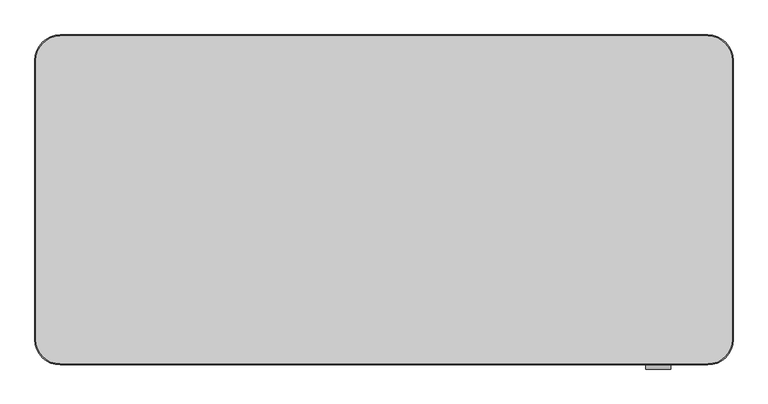
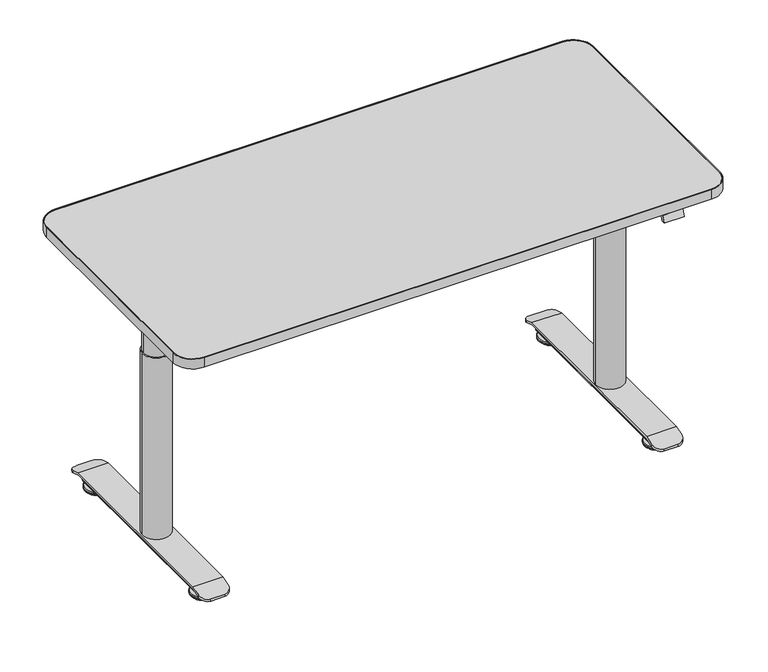
"""IFC4 building model written with IfcOpenShell, lengths in millimetres: furniture geometry."""

from ifc_helpers import new_model, si_unit, point, frame, frame_2d, origin, place, context, project, spatial, polyline, circle_curve, ellipse_curve, trimmed, segment, composite_curve, outline, extrude, source, transform, mapped, element, save
from ifc_brep_helpers import plane_surface, cylinder_surface, revolved_surface, advanced_brep


def furniture_2bdaf95e(model_context):
    return source(origin(), model_context, "Body", "SolidModel", [
        extrude(outline(composite_curve([segment(polyline([(62.5, -50.0), (1337.5, -50.0)]), True, "CONTINUOUS"), segment(trimmed(circle_curve(frame_2d((1337.5, -100.0)), 50.0), [point((1337.5, -50.0))], [point((1387.5, -100.0))], False, "CARTESIAN"), True, "CONTINUOUS"), segment(polyline([(1387.5, -100.0), (1387.5, -650.0)]), True, "CONTINUOUS"), segment(trimmed(circle_curve(frame_2d((1337.5, -650.0)), 50.0), [point((1387.5, -650.0))], [point((1337.5, -700.0))], False, "CARTESIAN"), True, "CONTINUOUS"), segment(polyline([(1337.5, -700.0), (62.5, -700.0)]), True, "CONTINUOUS"), segment(trimmed(circle_curve(frame_2d((62.5, -650.0)), 50.0), [point((62.5, -700.0))], [point((12.5, -650.0))], False, "CARTESIAN"), True, "CONTINUOUS"), segment(polyline([(12.5, -650.0), (12.5, -100.0)]), True, "CONTINUOUS"), segment(trimmed(circle_curve(frame_2d((62.5, -100.0)), 50.0), [point((12.5, -100.0))], [point((62.5, -50.0))], False, "CARTESIAN"), True, "CONTINUOUS")], self_intersect=False), holes=[composite_curve([segment(trimmed(circle_curve(frame_2d((62.5, -100.0)), 48.0), [point((62.5, -52.0))], [point((14.5, -100.0))], True, "CARTESIAN"), True, "CONTINUOUS"), segment(polyline([(14.5, -100.0), (14.5, -650.0)]), True, "CONTINUOUS"), segment(trimmed(circle_curve(frame_2d((62.5, -650.0)), 48.0), [point((14.5, -650.0))], [point((62.5, -698.0))], True, "CARTESIAN"), True, "CONTINUOUS"), segment(polyline([(62.5, -698.0), (1337.5, -698.0)]), True, "CONTINUOUS"), segment(trimmed(circle_curve(frame_2d((1337.5, -650.0)), 48.0), [point((1337.5, -698.0))], [point((1385.5, -650.0))], True, "CARTESIAN"), True, "CONTINUOUS"), segment(polyline([(1385.5, -650.0), (1385.5, -100.0)]), True, "CONTINUOUS"), segment(trimmed(circle_curve(frame_2d((1337.5, -100.0)), 48.0), [point((1385.5, -100.0))], [point((1337.5, -52.0))], True, "CARTESIAN"), True, "CONTINUOUS"), segment(polyline([(1337.5, -52.0), (62.5, -52.0)]), True, "CONTINUOUS")], self_intersect=False)]), frame((0.0, 0.0, 695.0), z_axis=(0.0, 0.0, 1.0), x_axis=(1.0, 0.0, 0.0)), (0.0, 0.0, 1.0), 25.5),
        extrude(outline(composite_curve([segment(polyline([(62.5, -52.0), (1337.5, -52.0)]), True, "CONTINUOUS"), segment(trimmed(circle_curve(frame_2d((1337.5, -100.0)), 48.0), [point((1337.5, -52.0))], [point((1385.5, -100.0))], False, "CARTESIAN"), True, "CONTINUOUS"), segment(polyline([(1385.5, -100.0), (1385.5, -650.0)]), True, "CONTINUOUS"), segment(trimmed(circle_curve(frame_2d((1337.5, -650.0)), 48.0), [point((1385.5, -650.0))], [point((1337.5, -698.0))], False, "CARTESIAN"), True, "CONTINUOUS"), segment(polyline([(1337.5, -698.0), (62.5, -698.0)]), True, "CONTINUOUS"), segment(trimmed(circle_curve(frame_2d((62.5, -650.0)), 48.0), [point((62.5, -698.0))], [point((14.5, -650.0))], False, "CARTESIAN"), True, "CONTINUOUS"), segment(polyline([(14.5, -650.0), (14.5, -100.0)]), True, "CONTINUOUS"), segment(trimmed(circle_curve(frame_2d((62.5, -100.0)), 48.0), [point((14.5, -100.0))], [point((62.5, -52.0))], False, "CARTESIAN"), True, "CONTINUOUS")], self_intersect=False)), frame((0.0, 0.0, 695.0), z_axis=(0.0, 0.0, 1.0), x_axis=(1.0, 0.0, 0.0)), (0.0, 0.0, 1.0), 25.0),
        extrude(outline(composite_curve([segment(trimmed(circle_curve(frame_2d((130.0, -375.0)), 28.0), [point((102.0, -375.0))], [point((158.0, -375.0))], False, "CARTESIAN"), True, "CONTINUOUS"), segment(trimmed(circle_curve(frame_2d((130.0, -375.0)), 28.0), [point((158.0, -375.0))], [point((102.0, -375.0))], False, "CARTESIAN"), True, "CONTINUOUS")], self_intersect=False)), frame((0.0, 0.0, 580.0), z_axis=(0.0, 0.0, 1.0), x_axis=(1.0, 0.0, 0.0)), (0.0, 0.0, 1.0), 57.0),
        extrude(outline(composite_curve([segment(trimmed(circle_curve(frame_2d((1270.0, -375.0)), 28.0), [point((1242.0, -375.0))], [point((1298.0, -375.0))], False, "CARTESIAN"), True, "CONTINUOUS"), segment(trimmed(circle_curve(frame_2d((1270.0, -375.0)), 28.0), [point((1298.0, -375.0))], [point((1242.0, -375.0))], False, "CARTESIAN"), True, "CONTINUOUS")], self_intersect=False)), frame((0.0, 0.0, 580.0), z_axis=(0.0, 0.0, 1.0), x_axis=(1.0, 0.0, 0.0)), (0.0, 0.0, 1.0), 57.0),
        extrude(outline(composite_curve([segment(trimmed(circle_curve(frame_2d((130.0, -375.0)), 32.0), [point((98.0, -375.0))], [point((162.0, -375.0))], False, "CARTESIAN"), True, "CONTINUOUS"), segment(trimmed(circle_curve(frame_2d((130.0, -375.0)), 32.0), [point((162.0, -375.0))], [point((98.0, -375.0))], False, "CARTESIAN"), True, "CONTINUOUS")], self_intersect=False)), frame((0.0, 0.0, 523.0), z_axis=(0.0, 0.0, 1.0), x_axis=(1.0, 0.0, 0.0)), (0.0, 0.0, 1.0), 57.0),
        extrude(outline(composite_curve([segment(trimmed(circle_curve(frame_2d((1270.0, -375.0)), 32.0), [point((1238.0, -375.0))], [point((1302.0, -375.0))], False, "CARTESIAN"), True, "CONTINUOUS"), segment(trimmed(circle_curve(frame_2d((1270.0, -375.0)), 32.0), [point((1302.0, -375.0))], [point((1238.0, -375.0))], False, "CARTESIAN"), True, "CONTINUOUS")], self_intersect=False)), frame((0.0, 0.0, 523.0), z_axis=(0.0, 0.0, 1.0), x_axis=(1.0, 0.0, 0.0)), (0.0, 0.0, 1.0), 57.0),
        extrude(outline(polyline([(-700.0, 695.0), (-682.0, 695.0), (-682.0, 689.0), (-694.0557281, 689.0), (-699.0557281, 679.0), (-708.0, 679.0), (-700.0, 695.0)])), frame((1215.0, 0.0, 0.0), z_axis=(1.0, 0.0, 0.0), x_axis=(0.0, 1.0, 0.0)), (0.0, 0.0, 1.0), 50.0),
        advanced_brep(
        [(167.5, -100.3774673, 39.9487289), (92.5, -100.3774673, 39.9487289), (92.5, -599.6225327, 39.9487289), (167.5, -599.6225327, 39.9487289), (92.5, -622.0, 32.7380106), (112.5, -642.0, 26.2933865), (147.5, -642.0, 26.2933865), (167.5, -622.0, 32.7380106), (92.5, -598.6796418, 33.9487272), (167.5, -598.6796418, 33.9487272), (167.5, -622.0, 26.4341856), (147.5, -642.0, 19.9895661), (112.5, -642.0, 19.9895661), (92.5, -622.0, 26.4341856), (92.5, -101.3203582, 33.9487272), (167.5, -101.3203582, 33.9487272), (92.5, -78.0, 26.4341856), (112.5, -58.0, 19.9895661), (147.5, -58.0, 19.9895661), (167.5, -78.0, 26.4341856), (167.5, -78.0, 32.7380106), (147.5, -58.0, 26.2933865), (112.5, -58.0, 26.2933865), (92.5, -78.0, 32.7380106)],
        [
            (0, 1),
            (1, 2),
            (2, 3),
            (3, 0),
            (2, 4),
            (4, 5, ellipse_curve(frame((112.5, -622.0, 32.7380106), z_axis=(0.0, -0.3067015134029664, 0.9518057478689284), x_axis=(0.0, -0.9518057478689285, -0.3067015134029665)), 21.0126909, 20.0)),
            (5, 6),
            (6, 7, ellipse_curve(frame((147.5, -622.0, 32.7380106), z_axis=(0.0, -0.3067015134029664, 0.9518057478689284), x_axis=(0.0, -0.9518057478689285, -0.3067015134029665)), 21.0126909, 20.0)),
            (7, 3),
            (8, 9),
            (9, 10),
            (10, 11, ellipse_curve(frame((147.5, -622.0, 26.4341856), z_axis=(0.0, 0.3067013116867472, -0.9518058128681652), x_axis=(0.0, -0.9518058128681652, -0.3067013116867469)), 21.0126895, 20.0)),
            (11, 12),
            (12, 13, ellipse_curve(frame((112.5, -622.0, 26.4341856), z_axis=(0.0, 0.3067013116867472, -0.9518058128681652), x_axis=(0.0, -0.9518058128681652, -0.3067013116867469)), 21.0126895, 20.0)),
            (13, 8),
            (8, 14),
            (14, 15),
            (15, 9),
            (14, 16),
            (16, 17, ellipse_curve(frame((112.5, -78.0, 26.4341856), z_axis=(0.0, -0.3067013116867472, -0.9518058128681653), x_axis=(0.0, 0.9518058128681656, -0.30670131168674664)), 21.0126895, 20.0)),
            (17, 18),
            (18, 19, ellipse_curve(frame((147.5, -78.0, 26.4341856), z_axis=(0.0, -0.3067013116867472, -0.9518058128681653), x_axis=(0.0, 0.9518058128681656, -0.30670131168674664)), 21.0126895, 20.0)),
            (19, 15),
            (0, 20),
            (20, 21, ellipse_curve(frame((147.5, -78.0, 32.7380106), z_axis=(0.0, 0.3067015134029484, 0.9518057478689342), x_axis=(0.0, 0.9518057478689343, -0.30670151340294793)), 21.0126909, 20.0)),
            (21, 22),
            (22, 23, ellipse_curve(frame((112.5, -78.0, 32.7380106), z_axis=(0.0, 0.3067015134029484, 0.9518057478689342), x_axis=(0.0, 0.9518057478689343, -0.30670151340294793)), 21.0126909, 20.0)),
            (23, 1),
            (19, 20),
            (7, 10),
            (11, 6),
            (5, 12),
            (13, 4),
            (23, 16),
            (17, 22),
            (21, 18),
        ],
        [
            plane_surface(frame((1400.0, -100.3774673, 39.9487289), z_axis=(0.0, 0.0, 1.0), x_axis=(-1.0, 0.0, 0.0))),
            plane_surface(frame((1400.0, -599.6225327, 39.9487289), z_axis=(0.0, -0.3067015134029664, 0.9518057478689284), x_axis=(-1.0, 0.0, 0.0))),
            plane_surface(frame((1400.0, -700.0, 1.3001698), z_axis=(0.0, 0.3067013116867472, -0.9518058128681652), x_axis=(-1.0, 0.0, 0.0))),
            plane_surface(frame((1400.0, -598.6796418, 33.9487272), z_axis=(0.0, 0.0, -1.0), x_axis=(-1.0, 0.0, 0.0))),
            plane_surface(frame((1400.0, -101.3203582, 33.9487272), z_axis=(0.0, -0.3067013116867472, -0.9518058128681653), x_axis=(-1.0, 0.0, 0.0))),
            plane_surface(frame((1400.0, 0.0, 7.6039766), z_axis=(0.0, 0.3067015134029484, 0.9518057478689342), x_axis=(-1.0, 0.0, 0.0))),
            plane_surface(frame((167.5, -78.0, 90.0), z_axis=(1.0, 0.0, 0.0), x_axis=(0.0, 0.0, -1.0))),
            plane_surface(frame((147.5, -642.0, 90.0), z_axis=(0.0, -1.0, 0.0), x_axis=(0.0, 0.0, -1.0))),
            plane_surface(frame((92.5, -622.0, 90.0), z_axis=(-1.0, 0.0, 0.0), x_axis=(0.0, 0.0, -1.0))),
            plane_surface(frame((112.5, -58.0, 90.0), z_axis=(0.0, 1.0, 0.0), x_axis=(0.0, 0.0, -1.0))),
            cylinder_surface(frame((147.5, -78.0, 0.0), z_axis=(0.0, 0.0, -1.0), x_axis=(1.0, 0.0, 0.0)), 20.0),
            cylinder_surface(frame((147.5, -622.0, 0.0), z_axis=(0.0, 0.0, -1.0), x_axis=(1.0, 0.0, 0.0)), 20.0),
            cylinder_surface(frame((112.5, -622.0, 0.0), z_axis=(0.0, 0.0, -1.0), x_axis=(1.0, 0.0, 0.0)), 20.0),
            cylinder_surface(frame((112.5, -78.0, 0.0), z_axis=(0.0, 0.0, -1.0), x_axis=(1.0, 0.0, 0.0)), 20.0),
        ],
        [
            (0, [[1, 2, 3, 4]]),
            (1, [[-3, 5, 6, 7, 8, 9]]),
            (2, [[10, 11, 12, 13, 14, 15]]),
            (3, [[-10, 16, 17, 18]]),
            (4, [[-17, 19, 20, 21, 22, 23]]),
            (5, [[-1, 24, 25, 26, 27, 28]]),
            (6, [[29, -24, -4, -9, 30, -11, -18, -23]]),
            (7, [[31, -7, 32, -13]]),
            (8, [[33, -5, -2, -28, 34, -19, -16, -15]]),
            (9, [[35, -26, 36, -21]]),
            (10, [[-29, -22, -36, -25]]),
            (11, [[-31, -12, -30, -8]]),
            (12, [[-33, -14, -32, -6]]),
            (13, [[-35, -20, -34, -27]]),
        ],
    ),
        advanced_brep(
        [(1307.5, -100.3774673, 39.9487289), (1232.5, -100.3774673, 39.9487289), (1232.5, -599.6225327, 39.9487289), (1307.5, -599.6225327, 39.9487289), (1232.5, -622.0, 32.7380106), (1252.5, -642.0, 26.2933865), (1287.5, -642.0, 26.2933865), (1307.5, -622.0, 32.7380106), (1232.5, -598.6796418, 33.9487272), (1307.5, -598.6796418, 33.9487272), (1307.5, -622.0, 26.4341856), (1287.5, -642.0, 19.9895661), (1252.5, -642.0, 19.9895661), (1232.5, -622.0, 26.4341856), (1232.5, -101.3203582, 33.9487272), (1307.5, -101.3203582, 33.9487272), (1232.5, -78.0, 26.4341856), (1252.5, -58.0, 19.9895661), (1287.5, -58.0, 19.9895661), (1307.5, -78.0, 26.4341856), (1307.5, -78.0, 32.7380106), (1287.5, -58.0, 26.2933865), (1252.5, -58.0, 26.2933865), (1232.5, -78.0, 32.7380106)],
        [
            (0, 1),
            (1, 2),
            (2, 3),
            (3, 0),
            (2, 4),
            (4, 5, ellipse_curve(frame((1252.5, -622.0, 32.7380106), z_axis=(0.0, -0.3067015134029664, 0.9518057478689284), x_axis=(0.0, -0.9518057478689285, -0.3067015134029665)), 21.0126909, 20.0)),
            (5, 6),
            (6, 7, ellipse_curve(frame((1287.5, -622.0, 32.7380106), z_axis=(0.0, -0.3067015134029664, 0.9518057478689284), x_axis=(0.0, -0.9518057478689285, -0.3067015134029665)), 21.0126909, 20.0)),
            (7, 3),
            (8, 9),
            (9, 10),
            (10, 11, ellipse_curve(frame((1287.5, -622.0, 26.4341856), z_axis=(0.0, 0.3067013116867472, -0.9518058128681652), x_axis=(0.0, -0.9518058128681652, -0.3067013116867469)), 21.0126895, 20.0)),
            (11, 12),
            (12, 13, ellipse_curve(frame((1252.5, -622.0, 26.4341856), z_axis=(0.0, 0.3067013116867472, -0.9518058128681652), x_axis=(0.0, -0.9518058128681652, -0.3067013116867469)), 21.0126895, 20.0)),
            (13, 8),
            (8, 14),
            (14, 15),
            (15, 9),
            (14, 16),
            (16, 17, ellipse_curve(frame((1252.5, -78.0, 26.4341856), z_axis=(0.0, -0.3067013116867472, -0.9518058128681653), x_axis=(0.0, 0.9518058128681656, -0.30670131168674664)), 21.0126895, 20.0)),
            (17, 18),
            (18, 19, ellipse_curve(frame((1287.5, -78.0, 26.4341856), z_axis=(0.0, -0.3067013116867472, -0.9518058128681653), x_axis=(0.0, 0.9518058128681656, -0.30670131168674664)), 21.0126895, 20.0)),
            (19, 15),
            (0, 20),
            (20, 21, ellipse_curve(frame((1287.5, -78.0, 32.7380106), z_axis=(0.0, 0.3067015134029484, 0.9518057478689342), x_axis=(0.0, 0.9518057478689343, -0.30670151340294793)), 21.0126909, 20.0)),
            (21, 22),
            (22, 23, ellipse_curve(frame((1252.5, -78.0, 32.7380106), z_axis=(0.0, 0.3067015134029484, 0.9518057478689342), x_axis=(0.0, 0.9518057478689343, -0.30670151340294793)), 21.0126909, 20.0)),
            (23, 1),
            (17, 22),
            (21, 18),
            (20, 19),
            (7, 10),
            (6, 11),
            (5, 12),
            (4, 13),
            (23, 16),
        ],
        [
            plane_surface(frame((1400.0, -100.3774673, 39.9487289), z_axis=(0.0, 0.0, 1.0), x_axis=(-1.0, 0.0, 0.0))),
            plane_surface(frame((1400.0, -599.6225327, 39.9487289), z_axis=(0.0, -0.3067015134029664, 0.9518057478689284), x_axis=(-1.0, 0.0, 0.0))),
            plane_surface(frame((1400.0, -700.0, 1.3001698), z_axis=(0.0, 0.3067013116867472, -0.9518058128681652), x_axis=(-1.0, 0.0, 0.0))),
            plane_surface(frame((1400.0, -598.6796418, 33.9487272), z_axis=(0.0, 0.0, -1.0), x_axis=(-1.0, 0.0, 0.0))),
            plane_surface(frame((1400.0, -101.3203582, 33.9487272), z_axis=(0.0, -0.3067013116867472, -0.9518058128681653), x_axis=(-1.0, 0.0, 0.0))),
            plane_surface(frame((1400.0, 0.0, 7.6039766), z_axis=(0.0, 0.3067015134029484, 0.9518057478689342), x_axis=(-1.0, 0.0, 0.0))),
            plane_surface(frame((1252.5, -58.0, 90.0), z_axis=(2.496878894118402e-12, 1.0, 0.0), x_axis=(0.0, 0.0, -1.0))),
            cylinder_surface(frame((1287.5, -78.0, 0.0), z_axis=(0.0, 0.0, -1.0), x_axis=(1.0, 0.0, 0.0)), 20.0),
            plane_surface(frame((1307.5, -78.0, 90.0), z_axis=(1.0, 0.0, 0.0), x_axis=(0.0, 0.0, -1.0))),
            cylinder_surface(frame((1287.5, -622.0, 0.0), z_axis=(0.0, 0.0, -1.0), x_axis=(1.0, 0.0, 0.0)), 20.0),
            plane_surface(frame((1287.5, -642.0, 90.0), z_axis=(2.1541321107826974e-12, -1.0, 0.0), x_axis=(0.0, 0.0, -1.0))),
            cylinder_surface(frame((1252.5, -622.0, 0.0), z_axis=(0.0, 0.0, -1.0), x_axis=(1.0, 0.0, 0.0)), 20.0),
            plane_surface(frame((1232.5, -622.0, 90.0), z_axis=(-1.0, 0.0, 0.0), x_axis=(0.0, 0.0, -1.0))),
            cylinder_surface(frame((1252.5, -78.0, 0.0), z_axis=(0.0, 0.0, -1.0), x_axis=(1.0, 0.0, 0.0)), 20.0),
        ],
        [
            (0, [[1, 2, 3, 4]]),
            (1, [[-3, 5, 6, 7, 8, 9]]),
            (2, [[10, 11, 12, 13, 14, 15]]),
            (3, [[-10, 16, 17, 18]]),
            (4, [[-17, 19, 20, 21, 22, 23]]),
            (5, [[-1, 24, 25, 26, 27, 28]]),
            (6, [[29, -26, 30, -21]]),
            (7, [[-30, -25, 31, -22]]),
            (8, [[-31, -24, -4, -9, 32, -11, -18, -23]]),
            (9, [[-32, -8, 33, -12]]),
            (10, [[-33, -7, 34, -13]]),
            (11, [[-34, -6, 35, -14]]),
            (12, [[-35, -5, -2, -28, 36, -19, -16, -15]]),
            (13, [[-29, -20, -36, -27]]),
        ],
    ),
        extrude(outline(composite_curve([segment(trimmed(circle_curve(frame_2d((130.0, -375.0)), 35.0), [point((95.0, -375.0))], [point((165.0, -375.0))], False, "CARTESIAN"), True, "CONTINUOUS"), segment(trimmed(circle_curve(frame_2d((130.0, -375.0)), 35.0), [point((165.0, -375.0))], [point((95.0, -375.0))], False, "CARTESIAN"), True, "CONTINUOUS")], self_intersect=False)), frame((0.0, 0.0, 39.9487289), z_axis=(0.0, 0.0, 1.0), x_axis=(1.0, 0.0, 0.0)), (0.0, 0.0, 1.0), 483.0512711),
        extrude(outline(composite_curve([segment(trimmed(circle_curve(frame_2d((1270.0, -375.0)), 35.0), [point((1235.0, -375.0))], [point((1305.0, -375.0))], False, "CARTESIAN"), True, "CONTINUOUS"), segment(trimmed(circle_curve(frame_2d((1270.0, -375.0)), 35.0), [point((1305.0, -375.0))], [point((1235.0, -375.0))], False, "CARTESIAN"), True, "CONTINUOUS")], self_intersect=False)), frame((0.0, 0.0, 39.9487289), z_axis=(0.0, 0.0, 1.0), x_axis=(1.0, 0.0, 0.0)), (0.0, 0.0, 1.0), 483.0512711),
        advanced_brep(
        [(106.0, -594.9970669, 15.948729), (154.0, -594.9970669, 15.948729), (160.0, -594.9970669, 21.948729), (160.0, -594.9970669, 33.9487272), (100.0, -594.9970669, 33.9487272), (100.0, -594.9970669, 21.948729), (106.0, -105.0, 15.948729), (100.0, -105.0, 21.948729), (100.0, -105.0, 33.9487272), (160.0, -105.0, 33.9487272), (160.0, -105.0, 21.948729), (154.0, -105.0, 15.948729), (160.0, -345.0019514, 21.948729), (159.6568536, -345.0019514, 19.9487272), (159.6568536, -404.9980486, 19.9487272), (160.0, -404.9980486, 21.948729), (160.0, -404.9980486, 33.9487272), (160.0, -345.0019514, 33.9487272), (100.0, -404.9980486, 33.9487272), (100.0, -345.0019514, 33.9487272), (100.0, -404.9980486, 21.948729), (100.0, -345.0019514, 21.948729), (100.3431464, -404.9980486, 19.9487272), (100.3431464, -345.0019514, 19.9487272)],
        [
            (0, 1),
            (1, 2, circle_curve(frame((154.0, -594.9970669, 21.948729), z_axis=(0.0, -1.0, 0.0), x_axis=(1.0, 0.0, 0.0)), 6.0)),
            (2, 3),
            (3, 4),
            (4, 5),
            (5, 0, circle_curve(frame((106.0, -594.9970669, 21.948729), z_axis=(0.0, -1.0, 0.0), x_axis=(1.0, 0.0, 0.0)), 6.0)),
            (6, 7, circle_curve(frame((106.0, -105.0, 21.948729), z_axis=(0.0, 1.0, 0.0), x_axis=(1.0, 0.0, 0.0)), 6.0)),
            (7, 8),
            (8, 9),
            (9, 10),
            (10, 11, circle_curve(frame((154.0, -105.0, 21.948729), z_axis=(0.0, 1.0, 0.0), x_axis=(1.0, 0.0, 0.0)), 6.0)),
            (11, 6),
            (0, 6),
            (11, 1),
            (10, 12),
            (12, 13, circle_curve(frame((154.0, -345.0019514, 21.948729), z_axis=(0.0, 1.0, 0.0), x_axis=(1.0, 0.0, 0.0)), 6.0)),
            (13, 14),
            (14, 15, circle_curve(frame((154.0, -404.9980486, 21.948729), z_axis=(0.0, -1.0, 0.0), x_axis=(1.0, 0.0, 0.0)), 6.0)),
            (15, 2),
            (15, 16),
            (16, 3),
            (9, 17),
            (17, 12),
            (16, 18),
            (18, 4),
            (8, 19),
            (19, 17),
            (18, 20),
            (20, 5),
            (7, 21),
            (21, 19),
            (20, 22, circle_curve(frame((106.0, -404.9980486, 21.948729), z_axis=(0.0, -1.0, 0.0), x_axis=(1.0, 0.0, 0.0)), 6.0)),
            (22, 23),
            (23, 21, circle_curve(frame((106.0, -345.0019514, 21.948729), z_axis=(0.0, 1.0, 0.0), x_axis=(1.0, 0.0, 0.0)), 6.0)),
            (14, 22),
            (13, 23),
        ],
        [
            plane_surface(frame((154.0244057, -594.9970669, 15.948729), z_axis=(0.0, -1.0, 0.0), x_axis=(1.0, 0.0, 0.0))),
            plane_surface(frame((154.0244057, -105.0, 15.948729), z_axis=(0.0, 1.0, 0.0), x_axis=(-1.0, 0.0, 0.0))),
            plane_surface(frame((106.0, -594.9970669, 15.948729), z_axis=(0.0, 0.0, -1.0), x_axis=(0.0, 1.0, 0.0))),
            cylinder_surface(frame((154.0, -105.0, 21.948729), z_axis=(0.0, -1.0, 0.0), x_axis=(1.0, 0.0, 0.0)), 6.0),
            plane_surface(frame((160.0, -594.9970669, 21.948729), z_axis=(1.0, 0.0, 0.0), x_axis=(0.0, 1.0, 0.0))),
            plane_surface(frame((160.0, -594.9970669, 33.9487272), z_axis=(0.0, 0.0, 1.0), x_axis=(0.0, 1.0, 0.0))),
            plane_surface(frame((100.0, -594.9970669, 33.9487272), z_axis=(-1.0, 0.0, 0.0), x_axis=(0.0, 1.0, 0.0))),
            cylinder_surface(frame((106.0, -105.0, 21.948729), z_axis=(0.0, -1.0, 0.0), x_axis=(1.0, 0.0, 0.0)), 6.0),
            plane_surface(frame((1400.0, -404.9980486, 33.9487272), z_axis=(0.0, 1.0, 0.0), x_axis=(-1.0, 0.0, 0.0))),
            plane_surface(frame((1400.0, -404.9980486, 19.9487272), z_axis=(0.0, 0.0, 1.0), x_axis=(-1.0, 0.0, 0.0))),
            plane_surface(frame((1400.0, -345.0019514, 19.9487272), z_axis=(0.0, -1.0, 0.0), x_axis=(-1.0, 0.0, 0.0))),
        ],
        [
            (0, [[1, 2, 3, 4, 5, 6]]),
            (1, [[7, 8, 9, 10, 11, 12]]),
            (2, [[-1, 13, -12, 14]]),
            (3, [[-2, -14, -11, 15, 16, 17, 18, 19]]),
            (4, [[-3, -19, 20, 21]]),
            (4, [[-10, 22, 23, -15]]),
            (5, [[-4, -21, 24, 25]]),
            (5, [[-9, 26, 27, -22]]),
            (6, [[-5, -25, 28, 29]]),
            (6, [[-8, 30, 31, -26]]),
            (7, [[-6, -29, 32, 33, 34, -30, -7, -13]]),
            (8, [[35, -32, -28, -24, -20, -18]]),
            (9, [[-35, -17, 36, -33]]),
            (10, [[-36, -16, -23, -27, -31, -34]]),
        ],
    ),
        advanced_brep(
        [(1294.0, -594.9970669, 15.948729), (1300.0, -594.9970669, 21.948729), (1300.0, -594.9970669, 33.9487272), (1240.0, -594.9970669, 33.9487272), (1240.0, -594.9970669, 21.948729), (1246.0, -594.9970669, 15.948729), (1294.0, -105.0, 15.948729), (1246.0, -105.0, 15.948729), (1240.0, -105.0, 21.948729), (1240.0, -105.0, 33.9487272), (1300.0, -105.0, 33.9487272), (1300.0, -105.0, 21.948729), (1300.0, -345.0019514, 21.948729), (1299.6568536, -345.0019514, 19.9487272), (1299.6568536, -404.9980486, 19.9487272), (1300.0, -404.9980486, 21.948729), (1300.0, -404.9980486, 33.9487272), (1300.0, -345.0019514, 33.9487272), (1240.0, -404.9980486, 33.9487272), (1240.0, -345.0019514, 33.9487272), (1240.0, -404.9980486, 21.948729), (1240.0, -345.0019514, 21.948729), (1240.3431464, -404.9980486, 19.9487272), (1240.3431464, -345.0019514, 19.9487272)],
        [
            (0, 1, circle_curve(frame((1294.0, -594.9970669, 21.948729), z_axis=(0.0, -1.0, 0.0), x_axis=(1.0, 0.0, 0.0)), 6.0)),
            (1, 2),
            (2, 3),
            (3, 4),
            (4, 5, circle_curve(frame((1246.0, -594.9970669, 21.948729), z_axis=(0.0, -1.0, 0.0), x_axis=(1.0, 0.0, 0.0)), 6.0)),
            (5, 0),
            (6, 7),
            (7, 8, circle_curve(frame((1246.0, -105.0, 21.948729), z_axis=(0.0, 1.0, 0.0), x_axis=(1.0, 0.0, 0.0)), 6.0)),
            (8, 9),
            (9, 10),
            (10, 11),
            (11, 6, circle_curve(frame((1294.0, -105.0, 21.948729), z_axis=(0.0, 1.0, 0.0), x_axis=(1.0, 0.0, 0.0)), 6.0)),
            (0, 6),
            (11, 12),
            (12, 13, circle_curve(frame((1294.0, -345.0019514, 21.948729), z_axis=(0.0, 1.0, 0.0), x_axis=(1.0, 0.0, 0.0)), 6.0)),
            (13, 14),
            (14, 15, circle_curve(frame((1294.0, -404.9980486, 21.948729), z_axis=(0.0, -1.0, 0.0), x_axis=(1.0, 0.0, 0.0)), 6.0)),
            (15, 1),
            (15, 16),
            (16, 2),
            (10, 17),
            (17, 12),
            (16, 18),
            (18, 3),
            (9, 19),
            (19, 17),
            (18, 20),
            (20, 4),
            (8, 21),
            (21, 19),
            (20, 22, circle_curve(frame((1246.0, -404.9980486, 21.948729), z_axis=(0.0, -1.0, 0.0), x_axis=(1.0, 0.0, 0.0)), 6.0)),
            (22, 23),
            (23, 21, circle_curve(frame((1246.0, -345.0019514, 21.948729), z_axis=(0.0, 1.0, 0.0), x_axis=(1.0, 0.0, 0.0)), 6.0)),
            (7, 5),
            (14, 22),
            (13, 23),
        ],
        [
            plane_surface(frame((154.0244057, -594.9970669, 15.948729), z_axis=(0.0, -1.0, 0.0), x_axis=(1.0, 0.0, 0.0))),
            plane_surface(frame((154.0244057, -105.0, 15.948729), z_axis=(0.0, 1.0, 0.0), x_axis=(-1.0, 0.0, 0.0))),
            cylinder_surface(frame((1294.0, 0.0, 21.948729), z_axis=(0.0, -1.0, 0.0), x_axis=(1.0, 0.0, 0.0)), 6.0),
            plane_surface(frame((1300.0, -594.9970669, 21.948729), z_axis=(1.0, 0.0, 0.0), x_axis=(0.0, 1.0, 0.0))),
            plane_surface(frame((1300.0, -594.9970669, 33.9487272), z_axis=(0.0, 0.0, 1.0), x_axis=(0.0, 1.0, 0.0))),
            plane_surface(frame((1240.0, -594.9970669, 33.9487272), z_axis=(-1.0, 0.0, 0.0), x_axis=(0.0, 1.0, 0.0))),
            cylinder_surface(frame((1246.0, 0.0, 21.948729), z_axis=(0.0, -1.0, 0.0), x_axis=(1.0, 0.0, 0.0)), 6.0),
            plane_surface(frame((1246.0, -594.9970669, 15.948729), z_axis=(0.0, 0.0, -1.0), x_axis=(0.0, 1.0, 0.0))),
            plane_surface(frame((1400.0, -404.9980486, 33.9487272), z_axis=(0.0, 1.0, 0.0), x_axis=(-1.0, 0.0, 0.0))),
            plane_surface(frame((1400.0, -404.9980486, 19.9487272), z_axis=(0.0, 0.0, 1.0), x_axis=(-1.0, 0.0, 0.0))),
            plane_surface(frame((1400.0, -345.0019514, 19.9487272), z_axis=(0.0, -1.0, 0.0), x_axis=(-1.0, 0.0, 0.0))),
        ],
        [
            (0, [[1, 2, 3, 4, 5, 6]]),
            (1, [[7, 8, 9, 10, 11, 12]]),
            (2, [[-1, 13, -12, 14, 15, 16, 17, 18]]),
            (3, [[-2, -18, 19, 20]]),
            (3, [[-11, 21, 22, -14]]),
            (4, [[-3, -20, 23, 24]]),
            (4, [[-10, 25, 26, -21]]),
            (5, [[-4, -24, 27, 28]]),
            (5, [[-9, 29, 30, -25]]),
            (6, [[-5, -28, 31, 32, 33, -29, -8, 34]]),
            (7, [[-6, -34, -7, -13]]),
            (8, [[35, -31, -27, -23, -19, -17]]),
            (9, [[-35, -16, 36, -32]]),
            (10, [[-36, -15, -22, -26, -30, -33]]),
        ],
    ),
        advanced_brep(
        [(1270.0, -127.5107401, 16.0), (1270.0, -112.4892599, 16.0), (1270.0, -120.0, 16.0), (1270.0, -127.5107401, 11.0079394), (1270.0, -112.4892599, 11.0079394), (1270.0, -129.3364286, 9.01555), (1270.0, -110.6635714, 9.01555), (1270.0, -150.1850516, 7.1915319), (1270.0, -89.8149484, 7.1915319), (1270.0, -152.0107401, 5.1991425), (1270.0, -87.9892599, 5.1991425), (1270.0, -152.0107401, 2.0), (1270.0, -87.9892599, 2.0), (1270.0, -150.0107401, 0.0), (1270.0, -89.9892599, 0.0), (1270.0, -120.0, 0.0)],
        [
            (0, 1, circle_curve(frame((1270.0, -120.0, 16.0), z_axis=(0.0, 0.0, 1.0), x_axis=(0.0, 1.0, 0.0)), 7.5107401)),
            (1, 2),
            (2, 0),
            (1, 0, circle_curve(frame((1270.0, -120.0, 16.0), z_axis=(0.0, 0.0, 1.0), x_axis=(0.0, 1.0, 0.0)), 7.5107401)),
            (3, 4, circle_curve(frame((1270.0, -120.0, 11.0079394), z_axis=(0.0, 0.0, 1.0), x_axis=(0.0, 1.0, 0.0)), 7.5107401)),
            (4, 1),
            (0, 3),
            (4, 3, circle_curve(frame((1270.0, -120.0, 11.0079394), z_axis=(0.0, 0.0, 1.0), x_axis=(0.0, 1.0, 0.0)), 7.5107401)),
            (5, 6, circle_curve(frame((1270.0, -120.0, 9.01555), z_axis=(0.0, 0.0, 1.0), x_axis=(0.0, 1.0, 0.0)), 9.3364286)),
            (6, 4, circle_curve(frame((1270.0, -110.4892599, 11.0079394), z_axis=(-1.0, 0.0, 0.0), x_axis=(0.0, 0.0, 1.0)), 2.0)),
            (3, 5, circle_curve(frame((1270.0, -129.5107401, 11.0079394), z_axis=(-1.0, 0.0, 0.0), x_axis=(0.0, 0.0, 1.0)), 2.0)),
            (6, 5, circle_curve(frame((1270.0, -120.0, 9.01555), z_axis=(0.0, 0.0, 1.0), x_axis=(0.0, 1.0, 0.0)), 9.3364286)),
            (7, 8, circle_curve(frame((1270.0, -120.0, 7.1915319), z_axis=(0.0, 0.0, 1.0), x_axis=(0.0, 1.0, 0.0)), 30.1850516)),
            (8, 6),
            (5, 7),
            (8, 7, circle_curve(frame((1270.0, -120.0, 7.1915319), z_axis=(0.0, 0.0, 1.0), x_axis=(0.0, 1.0, 0.0)), 30.1850516)),
            (9, 10, circle_curve(frame((1270.0, -120.0, 5.1991425), z_axis=(0.0, 0.0, 1.0), x_axis=(0.0, 1.0, 0.0)), 32.0107401)),
            (10, 8, circle_curve(frame((1270.0, -89.9892599, 5.1991425), z_axis=(1.0, 0.0, 0.0), x_axis=(0.0, 0.0, 1.0)), 2.0)),
            (7, 9, circle_curve(frame((1270.0, -150.0107401, 5.1991425), z_axis=(1.0, 0.0, 0.0), x_axis=(0.0, 0.0, 1.0)), 2.0)),
            (10, 9, circle_curve(frame((1270.0, -120.0, 5.1991425), z_axis=(0.0, 0.0, 1.0), x_axis=(0.0, 1.0, 0.0)), 32.0107401)),
            (11, 12, circle_curve(frame((1270.0, -120.0, 2.0), z_axis=(0.0, 0.0, 1.0), x_axis=(0.0, 1.0, 0.0)), 32.0107401)),
            (12, 10),
            (9, 11),
            (12, 11, circle_curve(frame((1270.0, -120.0, 2.0), z_axis=(0.0, 0.0, 1.0), x_axis=(0.0, 1.0, 0.0)), 32.0107401)),
            (13, 14, circle_curve(frame((1270.0, -120.0, 0.0), z_axis=(0.0, 0.0, 1.0), x_axis=(0.0, 1.0, 0.0)), 30.0107401)),
            (14, 12, circle_curve(frame((1270.0, -89.9892599, 2.0), z_axis=(1.0, 0.0, 0.0), x_axis=(0.0, 0.0, 1.0)), 2.0)),
            (11, 13, circle_curve(frame((1270.0, -150.0107401, 2.0), z_axis=(1.0, 0.0, 0.0), x_axis=(0.0, 0.0, 1.0)), 2.0)),
            (14, 13, circle_curve(frame((1270.0, -120.0, 0.0), z_axis=(0.0, 0.0, 1.0), x_axis=(0.0, 1.0, 0.0)), 30.0107401)),
            (15, 14),
            (13, 15),
        ],
        [
            plane_surface(frame((1270.0, -120.0, 16.0), z_axis=(0.0, 0.0, 1.0), x_axis=(0.0, 1.0, 0.0))),
            cylinder_surface(frame((1270.0, -120.0, -4.2498926), z_axis=(0.0, 0.0, -1.0), x_axis=(0.0, 1.0, 0.0)), 7.5107401),
            revolved_surface(trimmed(ellipse_curve(frame((1270.0, -110.4892599, 11.0079394), z_axis=(1.0, 0.0, 0.0), x_axis=(0.0, 0.0, 1.0)), 2.0, 2.0), [point((1270.0, -112.4892599, 11.0079394))], [point((1270.0, -110.6635714, 9.01555))], True, "CARTESIAN"), (1270.0, -120.0, -4.2498926), (0.0, 0.0, -1.0)),
            revolved_surface(polyline([(1270.0, -110.6635714, 9.01555), (1270.0, -89.8149484, 7.1915319)]), (1270.0, -120.0, -4.2498926), (0.0, 0.0, -1.0)),
            revolved_surface(trimmed(ellipse_curve(frame((1270.0, -89.9892599, 5.1991425), z_axis=(-1.0, 0.0, 0.0), x_axis=(0.0, 0.0, 1.0)), 2.0, 2.0), [point((1270.0, -89.8149484, 7.1915319))], [point((1270.0, -87.9892599, 5.1991425))], True, "CARTESIAN"), (1270.0, -120.0, -4.2498926), (0.0, 0.0, -1.0)),
            cylinder_surface(frame((1270.0, -120.0, -4.2498926), z_axis=(0.0, 0.0, -1.0), x_axis=(0.0, 1.0, 0.0)), 32.0107401),
            revolved_surface(trimmed(ellipse_curve(frame((1270.0, -89.9892599, 2.0), z_axis=(-1.0, 0.0, 0.0), x_axis=(0.0, 0.0, 1.0)), 2.0, 2.0), [point((1270.0, -87.9892599, 2.0))], [point((1270.0, -89.9892599, 0.0))], True, "CARTESIAN"), (1270.0, -120.0, -4.2498926), (0.0, 0.0, -1.0)),
            plane_surface(frame((1270.0, -120.0, 0.0), z_axis=(0.0, 0.0, -1.0), x_axis=(0.0, 1.0, 0.0))),
        ],
        [
            (0, [[1, 2, 3]]),
            (0, [[4, -3, -2]]),
            (1, [[5, 6, -1, 7]]),
            (1, [[8, -7, -4, -6]]),
            (2, [[9, 10, -5, 11]]),
            (2, [[12, -11, -8, -10]]),
            (3, [[13, 14, -9, 15]]),
            (3, [[16, -15, -12, -14]]),
            (4, [[17, 18, -13, 19]]),
            (4, [[20, -19, -16, -18]]),
            (5, [[21, 22, -17, 23]]),
            (5, [[24, -23, -20, -22]]),
            (6, [[25, 26, -21, 27]]),
            (6, [[28, -27, -24, -26]]),
            (7, [[29, -25, 30]]),
            (7, [[-30, -28, -29]]),
        ],
    ),
        advanced_brep(
        [(1270.0, -580.0009709, 16.0), (1270.0, -587.5009709, 16.0), (1270.0, -572.5009709, 16.0), (1270.0, -587.5009709, 11.0079394), (1270.0, -572.5009709, 11.0079394), (1270.0, -589.3266595, 9.01555), (1270.0, -570.6752824, 9.01555), (1270.0, -610.1752824, 7.1915319), (1270.0, -549.8266595, 7.1915319), (1270.0, -612.0009709, 5.1991425), (1270.0, -548.0009709, 5.1991425), (1270.0, -612.0009709, 2.0), (1270.0, -548.0009709, 2.0), (1270.0, -610.0009709, 0.0), (1270.0, -550.0009709, 0.0), (1270.0, -580.0009709, 0.0)],
        [
            (0, 1),
            (1, 2, circle_curve(frame((1270.0, -580.0009709, 16.0), z_axis=(0.0, 0.0, 1.0), x_axis=(0.0, -1.0, 0.0)), 7.5)),
            (2, 0),
            (2, 1, circle_curve(frame((1270.0, -580.0009709, 16.0), z_axis=(0.0, 0.0, 1.0), x_axis=(0.0, -1.0, 0.0)), 7.5)),
            (1, 3),
            (3, 4, circle_curve(frame((1270.0, -580.0009709, 11.0079394), z_axis=(0.0, 0.0, 1.0), x_axis=(0.0, -1.0, 0.0)), 7.5)),
            (4, 2),
            (4, 3, circle_curve(frame((1270.0, -580.0009709, 11.0079394), z_axis=(0.0, 0.0, 1.0), x_axis=(0.0, -1.0, 0.0)), 7.5)),
            (3, 5, circle_curve(frame((1270.0, -589.5009709, 11.0079394), z_axis=(-1.0, 0.0, 0.0), x_axis=(0.0, 0.0, 1.0)), 2.0)),
            (5, 6, circle_curve(frame((1270.0, -580.0009709, 9.01555), z_axis=(0.0, 0.0, 1.0), x_axis=(0.0, -1.0, 0.0)), 9.3256885)),
            (6, 4, circle_curve(frame((1270.0, -570.5009709, 11.0079394), z_axis=(-1.0, 0.0, 0.0), x_axis=(0.0, 0.0, 1.0)), 2.0)),
            (6, 5, circle_curve(frame((1270.0, -580.0009709, 9.01555), z_axis=(0.0, 0.0, 1.0), x_axis=(0.0, -1.0, 0.0)), 9.3256885)),
            (5, 7),
            (7, 8, circle_curve(frame((1270.0, -580.0009709, 7.1915319), z_axis=(0.0, 0.0, 1.0), x_axis=(0.0, -1.0, 0.0)), 30.1743115)),
            (8, 6),
            (8, 7, circle_curve(frame((1270.0, -580.0009709, 7.1915319), z_axis=(0.0, 0.0, 1.0), x_axis=(0.0, -1.0, 0.0)), 30.1743115)),
            (7, 9, circle_curve(frame((1270.0, -610.0009709, 5.1991425), z_axis=(1.0, 0.0, 0.0), x_axis=(0.0, 0.0, 1.0)), 2.0)),
            (9, 10, circle_curve(frame((1270.0, -580.0009709, 5.1991425), z_axis=(0.0, 0.0, 1.0), x_axis=(0.0, -1.0, 0.0)), 32.0)),
            (10, 8, circle_curve(frame((1270.0, -550.0009709, 5.1991425), z_axis=(1.0, 0.0, 0.0), x_axis=(0.0, 0.0, 1.0)), 2.0)),
            (10, 9, circle_curve(frame((1270.0, -580.0009709, 5.1991425), z_axis=(0.0, 0.0, 1.0), x_axis=(0.0, -1.0, 0.0)), 32.0)),
            (9, 11),
            (11, 12, circle_curve(frame((1270.0, -580.0009709, 2.0), z_axis=(0.0, 0.0, 1.0), x_axis=(0.0, -1.0, 0.0)), 32.0)),
            (12, 10),
            (12, 11, circle_curve(frame((1270.0, -580.0009709, 2.0), z_axis=(0.0, 0.0, 1.0), x_axis=(0.0, -1.0, 0.0)), 32.0)),
            (11, 13, circle_curve(frame((1270.0, -610.0009709, 2.0), z_axis=(1.0, 0.0, 0.0), x_axis=(0.0, 0.0, 1.0)), 2.0)),
            (13, 14, circle_curve(frame((1270.0, -580.0009709, 0.0), z_axis=(0.0, 0.0, 1.0), x_axis=(0.0, -1.0, 0.0)), 30.0)),
            (14, 12, circle_curve(frame((1270.0, -550.0009709, 2.0), z_axis=(1.0, 0.0, 0.0), x_axis=(0.0, 0.0, 1.0)), 2.0)),
            (14, 13, circle_curve(frame((1270.0, -580.0009709, 0.0), z_axis=(0.0, 0.0, 1.0), x_axis=(0.0, -1.0, 0.0)), 30.0)),
            (13, 15),
            (15, 14),
        ],
        [
            plane_surface(frame((1270.0, -580.0009709, 16.0), z_axis=(0.0, 0.0, 1.0), x_axis=(0.0, -1.0, 0.0))),
            cylinder_surface(frame((1270.0, -580.0009709, -4.2498926), z_axis=(0.0, 0.0, 1.0), x_axis=(0.0, -1.0, 0.0)), 7.5),
            revolved_surface(trimmed(ellipse_curve(frame((1270.0, -589.5009709, 11.0079394), z_axis=(1.0, 0.0, 0.0), x_axis=(0.0, 0.0, 1.0)), 2.0, 2.0), [point((1270.0, -589.3266595, 9.01555))], [point((1270.0, -587.5009709, 11.0079394))], True, "CARTESIAN"), (1270.0, -580.0009709, -4.2498926), (0.0, 0.0, 1.0)),
            revolved_surface(polyline([(1270.0, -610.1752824, 7.1915319), (1270.0, -589.3266595, 9.01555)]), (1270.0, -580.0009709, -4.2498926), (0.0, 0.0, 1.0)),
            revolved_surface(trimmed(ellipse_curve(frame((1270.0, -610.0009709, 5.1991425), z_axis=(-1.0, 0.0, 0.0), x_axis=(0.0, 0.0, 1.0)), 2.0, 2.0), [point((1270.0, -612.0009709, 5.1991425))], [point((1270.0, -610.1752824, 7.1915319))], True, "CARTESIAN"), (1270.0, -580.0009709, -4.2498926), (0.0, 0.0, 1.0)),
            cylinder_surface(frame((1270.0, -580.0009709, -4.2498926), z_axis=(0.0, 0.0, 1.0), x_axis=(0.0, -1.0, 0.0)), 32.0),
            revolved_surface(trimmed(ellipse_curve(frame((1270.0, -610.0009709, 2.0), z_axis=(-1.0, 0.0, 0.0), x_axis=(0.0, 0.0, 1.0)), 2.0, 2.0), [point((1270.0, -610.0009709, 0.0))], [point((1270.0, -612.0009709, 2.0))], True, "CARTESIAN"), (1270.0, -580.0009709, -4.2498926), (0.0, 0.0, 1.0)),
            plane_surface(frame((1270.0, -580.0009709, 0.0), z_axis=(0.0, 0.0, -1.0), x_axis=(0.0, -1.0, 0.0))),
        ],
        [
            (0, [[1, 2, 3]]),
            (0, [[-3, 4, -1]]),
            (1, [[-2, 5, 6, 7]]),
            (1, [[-4, -7, 8, -5]]),
            (2, [[-6, 9, 10, 11]]),
            (2, [[-8, -11, 12, -9]]),
            (3, [[-10, 13, 14, 15]]),
            (3, [[-12, -15, 16, -13]]),
            (4, [[-14, 17, 18, 19]]),
            (4, [[-16, -19, 20, -17]]),
            (5, [[-18, 21, 22, 23]]),
            (5, [[-20, -23, 24, -21]]),
            (6, [[-22, 25, 26, 27]]),
            (6, [[-24, -27, 28, -25]]),
            (7, [[-26, 29, 30]]),
            (7, [[-28, -30, -29]]),
        ],
    ),
        advanced_brep(
        [(130.0, -120.0, 16.0), (130.0, -112.4892599, 16.0), (130.0, -127.5107401, 16.0), (130.0, -112.4892599, 11.0079394), (130.0, -127.5107401, 11.0079394), (130.0, -110.6635714, 9.01555), (130.0, -129.3364286, 9.01555), (130.0, -89.8149484, 7.1915319), (130.0, -150.1850516, 7.1915319), (130.0, -87.9892599, 5.1991425), (130.0, -152.0107401, 5.1991425), (130.0, -87.9892599, 2.0), (130.0, -152.0107401, 2.0), (130.0, -89.9892599, 0.0), (130.0, -150.0107401, 0.0), (130.0, -120.0, 0.0)],
        [
            (0, 1),
            (1, 2, circle_curve(frame((130.0, -120.0, 16.0), z_axis=(0.0, 0.0, 1.0), x_axis=(0.0, 1.0, 0.0)), 7.5107401)),
            (2, 0),
            (2, 1, circle_curve(frame((130.0, -120.0, 16.0), z_axis=(0.0, 0.0, 1.0), x_axis=(0.0, 1.0, 0.0)), 7.5107401)),
            (1, 3),
            (3, 4, circle_curve(frame((130.0, -120.0, 11.0079394), z_axis=(0.0, 0.0, 1.0), x_axis=(0.0, 1.0, 0.0)), 7.5107401)),
            (4, 2),
            (4, 3, circle_curve(frame((130.0, -120.0, 11.0079394), z_axis=(0.0, 0.0, 1.0), x_axis=(0.0, 1.0, 0.0)), 7.5107401)),
            (3, 5, circle_curve(frame((130.0, -110.4892599, 11.0079394), z_axis=(1.0, 0.0, 0.0), x_axis=(0.0, 0.0, 1.0)), 2.0)),
            (5, 6, circle_curve(frame((130.0, -120.0, 9.01555), z_axis=(0.0, 0.0, 1.0), x_axis=(0.0, 1.0, 0.0)), 9.3364286)),
            (6, 4, circle_curve(frame((130.0, -129.5107401, 11.0079394), z_axis=(1.0, 0.0, 0.0), x_axis=(0.0, 0.0, 1.0)), 2.0)),
            (6, 5, circle_curve(frame((130.0, -120.0, 9.01555), z_axis=(0.0, 0.0, 1.0), x_axis=(0.0, 1.0, 0.0)), 9.3364286)),
            (5, 7),
            (7, 8, circle_curve(frame((130.0, -120.0, 7.1915319), z_axis=(0.0, 0.0, 1.0), x_axis=(0.0, 1.0, 0.0)), 30.1850516)),
            (8, 6),
            (8, 7, circle_curve(frame((130.0, -120.0, 7.1915319), z_axis=(0.0, 0.0, 1.0), x_axis=(0.0, 1.0, 0.0)), 30.1850516)),
            (7, 9, circle_curve(frame((130.0, -89.9892599, 5.1991425), z_axis=(-1.0, 0.0, 0.0), x_axis=(0.0, 0.0, 1.0)), 2.0)),
            (9, 10, circle_curve(frame((130.0, -120.0, 5.1991425), z_axis=(0.0, 0.0, 1.0), x_axis=(0.0, 1.0, 0.0)), 32.0107401)),
            (10, 8, circle_curve(frame((130.0, -150.0107401, 5.1991425), z_axis=(-1.0, 0.0, 0.0), x_axis=(0.0, 0.0, 1.0)), 2.0)),
            (10, 9, circle_curve(frame((130.0, -120.0, 5.1991425), z_axis=(0.0, 0.0, 1.0), x_axis=(0.0, 1.0, 0.0)), 32.0107401)),
            (9, 11),
            (11, 12, circle_curve(frame((130.0, -120.0, 2.0), z_axis=(0.0, 0.0, 1.0), x_axis=(0.0, 1.0, 0.0)), 32.0107401)),
            (12, 10),
            (12, 11, circle_curve(frame((130.0, -120.0, 2.0), z_axis=(0.0, 0.0, 1.0), x_axis=(0.0, 1.0, 0.0)), 32.0107401)),
            (11, 13, circle_curve(frame((130.0, -89.9892599, 2.0), z_axis=(-1.0, 0.0, 0.0), x_axis=(0.0, 0.0, 1.0)), 2.0)),
            (13, 14, circle_curve(frame((130.0, -120.0, 0.0), z_axis=(0.0, 0.0, 1.0), x_axis=(0.0, 1.0, 0.0)), 30.0107401)),
            (14, 12, circle_curve(frame((130.0, -150.0107401, 2.0), z_axis=(-1.0, 0.0, 0.0), x_axis=(0.0, 0.0, 1.0)), 2.0)),
            (14, 13, circle_curve(frame((130.0, -120.0, 0.0), z_axis=(0.0, 0.0, 1.0), x_axis=(0.0, 1.0, 0.0)), 30.0107401)),
            (13, 15),
            (15, 14),
        ],
        [
            plane_surface(frame((130.0, -120.0, 16.0), z_axis=(0.0, 0.0, 1.0), x_axis=(0.0, 1.0, 0.0))),
            cylinder_surface(frame((130.0, -120.0, -4.2498926), z_axis=(0.0, 0.0, 1.0), x_axis=(0.0, 1.0, 0.0)), 7.5107401),
            revolved_surface(trimmed(ellipse_curve(frame((130.0, -110.4892599, 11.0079394), z_axis=(-1.0, 0.0, 0.0), x_axis=(0.0, 0.0, 1.0)), 2.0, 2.0), [point((130.0, -110.6635714, 9.01555))], [point((130.0, -112.4892599, 11.0079394))], True, "CARTESIAN"), (130.0, -120.0, -4.2498926), (0.0, 0.0, 1.0)),
            revolved_surface(polyline([(130.0, -89.8149484, 7.1915319), (130.0, -110.6635714, 9.01555)]), (130.0, -120.0, -4.2498926), (0.0, 0.0, 1.0)),
            revolved_surface(trimmed(ellipse_curve(frame((130.0, -89.9892599, 5.1991425), z_axis=(1.0, 0.0, 0.0), x_axis=(0.0, 0.0, 1.0)), 2.0, 2.0), [point((130.0, -87.9892599, 5.1991425))], [point((130.0, -89.8149484, 7.1915319))], True, "CARTESIAN"), (130.0, -120.0, -4.2498926), (0.0, 0.0, 1.0)),
            cylinder_surface(frame((130.0, -120.0, -4.2498926), z_axis=(0.0, 0.0, 1.0), x_axis=(0.0, 1.0, 0.0)), 32.0107401),
            revolved_surface(trimmed(ellipse_curve(frame((130.0, -89.9892599, 2.0), z_axis=(1.0, 0.0, 0.0), x_axis=(0.0, 0.0, 1.0)), 2.0, 2.0), [point((130.0, -89.9892599, 0.0))], [point((130.0, -87.9892599, 2.0))], True, "CARTESIAN"), (130.0, -120.0, -4.2498926), (0.0, 0.0, 1.0)),
            plane_surface(frame((130.0, -120.0, 0.0), z_axis=(0.0, 0.0, -1.0), x_axis=(0.0, 1.0, 0.0))),
        ],
        [
            (0, [[1, 2, 3]]),
            (0, [[-3, 4, -1]]),
            (1, [[-2, 5, 6, 7]]),
            (1, [[-4, -7, 8, -5]]),
            (2, [[-6, 9, 10, 11]]),
            (2, [[-8, -11, 12, -9]]),
            (3, [[-10, 13, 14, 15]]),
            (3, [[-12, -15, 16, -13]]),
            (4, [[-14, 17, 18, 19]]),
            (4, [[-16, -19, 20, -17]]),
            (5, [[-18, 21, 22, 23]]),
            (5, [[-20, -23, 24, -21]]),
            (6, [[-22, 25, 26, 27]]),
            (6, [[-24, -27, 28, -25]]),
            (7, [[-26, 29, 30]]),
            (7, [[-28, -30, -29]]),
        ],
    ),
        advanced_brep(
        [(130.0, -572.5009709, 16.0), (130.0, -587.5009709, 16.0), (130.0, -580.0009709, 16.0), (130.0, -572.5009709, 11.0079394), (130.0, -587.5009709, 11.0079394), (130.0, -570.6752824, 9.01555), (130.0, -589.3266595, 9.01555), (130.0, -549.8266595, 7.1915319), (130.0, -610.1752824, 7.1915319), (130.0, -548.0009709, 5.1991425), (130.0, -612.0009709, 5.1991425), (130.0, -548.0009709, 2.0), (130.0, -612.0009709, 2.0), (130.0, -550.0009709, 0.0), (130.0, -610.0009709, 0.0), (130.0, -580.0009709, 0.0)],
        [
            (0, 1, circle_curve(frame((130.0, -580.0009709, 16.0), z_axis=(0.0, 0.0, 1.0), x_axis=(0.0, -1.0, 0.0)), 7.5)),
            (1, 2),
            (2, 0),
            (1, 0, circle_curve(frame((130.0, -580.0009709, 16.0), z_axis=(0.0, 0.0, 1.0), x_axis=(0.0, -1.0, 0.0)), 7.5)),
            (3, 4, circle_curve(frame((130.0, -580.0009709, 11.0079394), z_axis=(0.0, 0.0, 1.0), x_axis=(0.0, -1.0, 0.0)), 7.5)),
            (4, 1),
            (0, 3),
            (4, 3, circle_curve(frame((130.0, -580.0009709, 11.0079394), z_axis=(0.0, 0.0, 1.0), x_axis=(0.0, -1.0, 0.0)), 7.5)),
            (5, 6, circle_curve(frame((130.0, -580.0009709, 9.01555), z_axis=(0.0, 0.0, 1.0), x_axis=(0.0, -1.0, 0.0)), 9.3256885)),
            (6, 4, circle_curve(frame((130.0, -589.5009709, 11.0079394), z_axis=(1.0, 0.0, 0.0), x_axis=(0.0, 0.0, 1.0)), 2.0)),
            (3, 5, circle_curve(frame((130.0, -570.5009709, 11.0079394), z_axis=(1.0, 0.0, 0.0), x_axis=(0.0, 0.0, 1.0)), 2.0)),
            (6, 5, circle_curve(frame((130.0, -580.0009709, 9.01555), z_axis=(0.0, 0.0, 1.0), x_axis=(0.0, -1.0, 0.0)), 9.3256885)),
            (7, 8, circle_curve(frame((130.0, -580.0009709, 7.1915319), z_axis=(0.0, 0.0, 1.0), x_axis=(0.0, -1.0, 0.0)), 30.1743115)),
            (8, 6),
            (5, 7),
            (8, 7, circle_curve(frame((130.0, -580.0009709, 7.1915319), z_axis=(0.0, 0.0, 1.0), x_axis=(0.0, -1.0, 0.0)), 30.1743115)),
            (9, 10, circle_curve(frame((130.0, -580.0009709, 5.1991425), z_axis=(0.0, 0.0, 1.0), x_axis=(0.0, -1.0, 0.0)), 32.0)),
            (10, 8, circle_curve(frame((130.0, -610.0009709, 5.1991425), z_axis=(-1.0, 0.0, 0.0), x_axis=(0.0, 0.0, 1.0)), 2.0)),
            (7, 9, circle_curve(frame((130.0, -550.0009709, 5.1991425), z_axis=(-1.0, 0.0, 0.0), x_axis=(0.0, 0.0, 1.0)), 2.0)),
            (10, 9, circle_curve(frame((130.0, -580.0009709, 5.1991425), z_axis=(0.0, 0.0, 1.0), x_axis=(0.0, -1.0, 0.0)), 32.0)),
            (11, 12, circle_curve(frame((130.0, -580.0009709, 2.0), z_axis=(0.0, 0.0, 1.0), x_axis=(0.0, -1.0, 0.0)), 32.0)),
            (12, 10),
            (9, 11),
            (12, 11, circle_curve(frame((130.0, -580.0009709, 2.0), z_axis=(0.0, 0.0, 1.0), x_axis=(0.0, -1.0, 0.0)), 32.0)),
            (13, 14, circle_curve(frame((130.0, -580.0009709, 0.0), z_axis=(0.0, 0.0, 1.0), x_axis=(0.0, -1.0, 0.0)), 30.0)),
            (14, 12, circle_curve(frame((130.0, -610.0009709, 2.0), z_axis=(-1.0, 0.0, 0.0), x_axis=(0.0, 0.0, 1.0)), 2.0)),
            (11, 13, circle_curve(frame((130.0, -550.0009709, 2.0), z_axis=(-1.0, 0.0, 0.0), x_axis=(0.0, 0.0, 1.0)), 2.0)),
            (14, 13, circle_curve(frame((130.0, -580.0009709, 0.0), z_axis=(0.0, 0.0, 1.0), x_axis=(0.0, -1.0, 0.0)), 30.0)),
            (15, 14),
            (13, 15),
        ],
        [
            plane_surface(frame((130.0, -580.0009709, 16.0), z_axis=(0.0, 0.0, 1.0), x_axis=(0.0, -1.0, 0.0))),
            cylinder_surface(frame((130.0, -580.0009709, -4.2498926), z_axis=(0.0, 0.0, -1.0), x_axis=(0.0, -1.0, 0.0)), 7.5),
            revolved_surface(trimmed(ellipse_curve(frame((130.0, -589.5009709, 11.0079394), z_axis=(-1.0, 0.0, 0.0), x_axis=(0.0, 0.0, 1.0)), 2.0, 2.0), [point((130.0, -587.5009709, 11.0079394))], [point((130.0, -589.3266595, 9.01555))], True, "CARTESIAN"), (130.0, -580.0009709, -4.2498926), (0.0, 0.0, -1.0)),
            revolved_surface(polyline([(130.0, -589.3266595, 9.01555), (130.0, -610.1752824, 7.1915319)]), (130.0, -580.0009709, -4.2498926), (0.0, 0.0, -1.0)),
            revolved_surface(trimmed(ellipse_curve(frame((130.0, -610.0009709, 5.1991425), z_axis=(1.0, 0.0, 0.0), x_axis=(0.0, 0.0, 1.0)), 2.0, 2.0), [point((130.0, -610.1752824, 7.1915319))], [point((130.0, -612.0009709, 5.1991425))], True, "CARTESIAN"), (130.0, -580.0009709, -4.2498926), (0.0, 0.0, -1.0)),
            cylinder_surface(frame((130.0, -580.0009709, -4.2498926), z_axis=(0.0, 0.0, -1.0), x_axis=(0.0, -1.0, 0.0)), 32.0),
            revolved_surface(trimmed(ellipse_curve(frame((130.0, -610.0009709, 2.0), z_axis=(1.0, 0.0, 0.0), x_axis=(0.0, 0.0, 1.0)), 2.0, 2.0), [point((130.0, -612.0009709, 2.0))], [point((130.0, -610.0009709, 0.0))], True, "CARTESIAN"), (130.0, -580.0009709, -4.2498926), (0.0, 0.0, -1.0)),
            plane_surface(frame((130.0, -580.0009709, 0.0), z_axis=(0.0, 0.0, -1.0), x_axis=(0.0, -1.0, 0.0))),
        ],
        [
            (0, [[1, 2, 3]]),
            (0, [[4, -3, -2]]),
            (1, [[5, 6, -1, 7]]),
            (1, [[8, -7, -4, -6]]),
            (2, [[9, 10, -5, 11]]),
            (2, [[12, -11, -8, -10]]),
            (3, [[13, 14, -9, 15]]),
            (3, [[16, -15, -12, -14]]),
            (4, [[17, 18, -13, 19]]),
            (4, [[20, -19, -16, -18]]),
            (5, [[21, 22, -17, 23]]),
            (5, [[24, -23, -20, -22]]),
            (6, [[25, 26, -21, 27]]),
            (6, [[28, -27, -24, -26]]),
            (7, [[29, -25, 30]]),
            (7, [[-30, -28, -29]]),
        ],
    ),
    ])


if __name__ == "__main__":
    model = new_model("IFC4")
    model_context = context("Model", 3, world=origin())
    ifc_project = project(units=[si_unit("LENGTHUNIT", "METRE", prefix="MILLI")], contexts=[model_context])
    site = spatial("IfcSite", under=ifc_project)
    building = spatial("IfcBuilding", under=site)
    placement = place(None, origin())
    furniture_shape = furniture_2bdaf95e(model_context)
    element("IfcFurniture", 1, at=placement, inside=building, context=model_context, shape_type="MappedRepresentation", body=[
        mapped(furniture_shape, transform((0.0, 0.0, 0.0), x_axis=(1.0, 0.0, 0.0), y_axis=(0.0, 1.0, 0.0), z_axis=(0.0, 0.0, 1.0))),
    ])
    save(model, "model.ifc")
